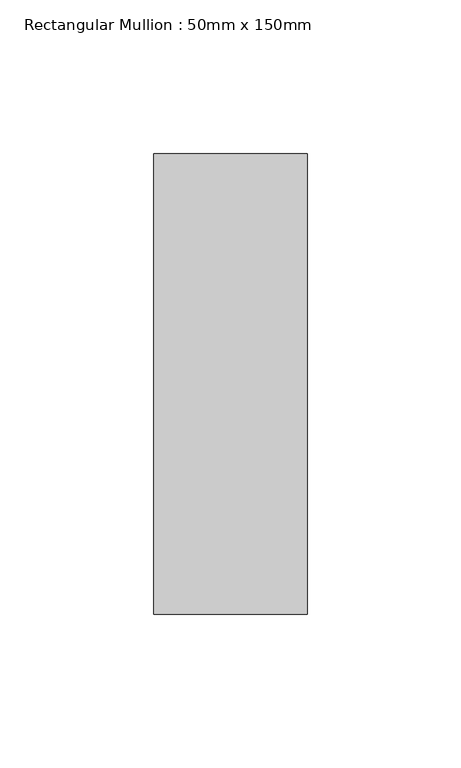
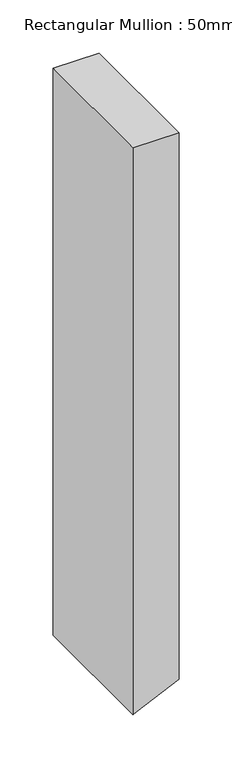
"""IFC4 building model written with IfcOpenShell, lengths in millimetres: member geometry, Rectangular Mullion : 50mm x 150mm."""

from ifc_helpers import new_model, si_unit, frame, origin, place, context, project, spatial, polyline, outline, extrude, source, transform, mapped, element, save


def rectangular_mullion_50mm_x_150mm_b1b33814(model_context):
    return source(origin(), model_context, "Body", "SweptSolid", [
        extrude(outline(polyline([(0.0, 25.0), (0.0, -25.0), (-650.4501065, -25.0), (-648.6136099, -21.0411824), (-627.2550923, 25.0), (0.0, 25.0)])), frame((0.0, -75.0, 0.0), z_axis=(0.0, 1.0, 0.0), x_axis=(0.0, 0.0, 1.0)), (0.0, 0.0, 1.0), 150.0),
    ])


if __name__ == "__main__":
    model = new_model("IFC4")
    model_context = context("Model", 3, world=origin())
    ifc_project = project(units=[si_unit("LENGTHUNIT", "METRE", prefix="MILLI")], contexts=[model_context])
    site = spatial("IfcSite", under=ifc_project)
    building = spatial("IfcBuilding", under=site)
    placement = place(None, origin())
    rectangular_mullion_50mm_x_150mm_shape = rectangular_mullion_50mm_x_150mm_b1b33814(model_context)
    element("IfcMember", 1, ObjectType="Rectangular Mullion : 50mm x 150mm", at=placement, inside=building, context=model_context, shape_type="MappedRepresentation", body=[
        mapped(rectangular_mullion_50mm_x_150mm_shape, transform((0.0, 0.0, 0.0), x_axis=(1.0, 0.0, 0.0), y_axis=(0.0, 1.0, 0.0), z_axis=(0.0, 0.0, 1.0))),
    ])
    save(model, "model.ifc")
